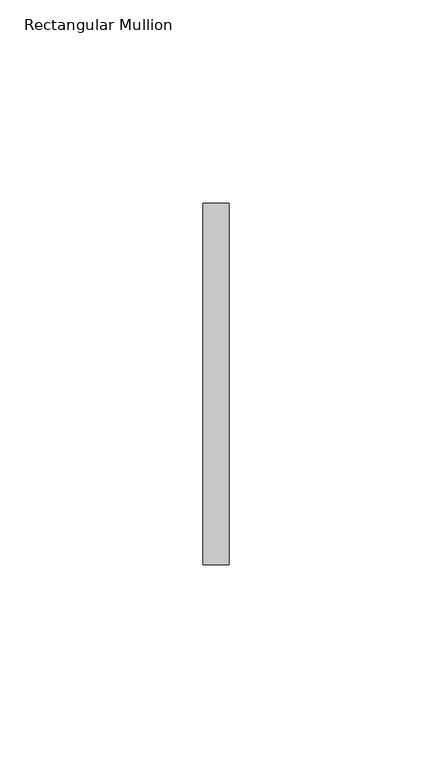
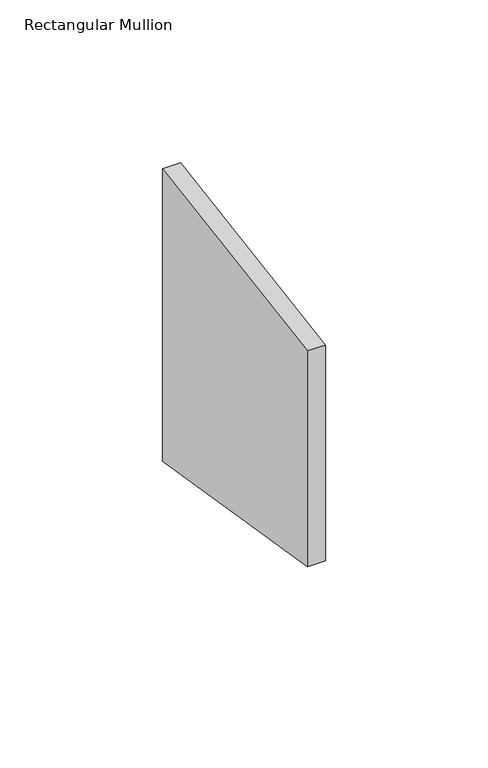
"""IFC4 building model written with IfcOpenShell, lengths in millimetres: member geometry, Rectangular Mullion."""

from ifc_helpers import new_model, si_unit, frame, origin, place, context, project, spatial, polyline, outline, extrude, source, transform, mapped, element, save


def rectangular_mullion_5f5e81ca(model_context):
    return source(origin(), model_context, "Body", "SweptSolid", [
        extrude(outline(polyline([(-44.45, -7.1851565), (44.45, 7.1851565), (44.45, -102.4351565), (-44.45, -88.0648435), (-44.45, -7.1851565)])), frame((-6.35, 0.0, 0.0), z_axis=(1.0, 0.0, 0.0), x_axis=(0.0, 1.0, 0.0)), (0.0, 0.0, 1.0), 6.35),
    ])


if __name__ == "__main__":
    model = new_model("IFC4")
    model_context = context("Model", 3, world=origin())
    ifc_project = project(units=[si_unit("LENGTHUNIT", "METRE", prefix="MILLI")], contexts=[model_context])
    site = spatial("IfcSite", under=ifc_project)
    building = spatial("IfcBuilding", under=site)
    placement = place(None, origin())
    rectangular_mullion_shape = rectangular_mullion_5f5e81ca(model_context)
    element("IfcMember", 1, ObjectType="Rectangular Mullion", at=placement, inside=building, context=model_context, shape_type="MappedRepresentation", body=[
        mapped(rectangular_mullion_shape, transform((0.0, 0.0, 0.0), x_axis=(1.0, 0.0, 0.0), y_axis=(0.0, 1.0, 0.0), z_axis=(0.0, 0.0, 1.0))),
    ])
    save(model, "model.ifc")
